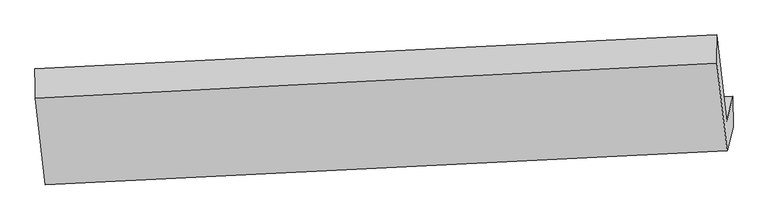
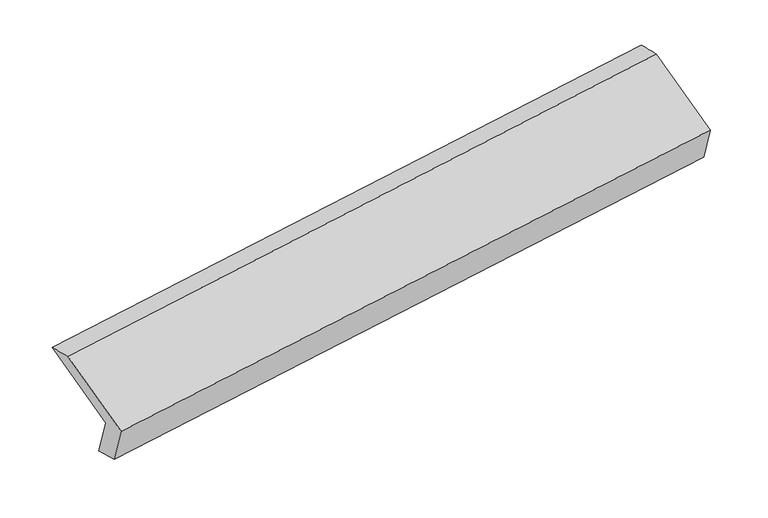
"""IFC4 building model written with IfcOpenShell, lengths in millimetres: proxy geometry."""

from ifc_helpers import new_model, si_unit, frame, origin, place, context, project, spatial, source, transform, mapped, element, save
from ifc_brep_helpers import plane_surface, spline_surface, advanced_brep


def generic_models_94e29294(model_context):
    return source(origin(), model_context, "Body", "AdvancedBrep", [
        advanced_brep(
        [(-5173.4288378, -1607.4908266, 1228.0718593), (-5216.6101248, -1776.0155529, 1576.9837714), (-490.4178351, -1543.1551482, 2274.3683917), (-446.1289888, -1370.3079213, 1916.5072172), (-5171.3263127, -1814.1309899, 1280.4667942), (-445.461197, -1584.3331915, 1981.0717309), (-5214.5075997, -1982.6557162, 1629.3787062), (-486.9173304, -1746.1251164, 2316.0441183), (-5284.1015261, -1383.0766771, 1910.3629166), (-557.1155972, -1141.3394472, 2599.468342), (-5286.2040512, -1176.4365138, 1857.9679817), (-560.0117615, -943.5761092, 2555.3526021)],
        [
            (0, 1),
            (1, 2),
            (2, 3),
            (3, 0),
            (4, 0),
            (3, 5),
            (5, 4),
            (6, 4),
            (5, 7),
            (7, 6),
            (8, 6),
            (7, 9),
            (9, 8),
            (10, 8),
            (9, 11),
            (11, 10),
            (1, 10),
            (11, 2),
        ],
        [
            plane_surface(frame((-5195.0194813, -1691.7531897, 1402.5278153), z_axis=(-0.10659278263902003, 0.9004386035144589, 0.4217206421201144), x_axis=(-0.1107559410512596, -0.4322500778456732, 0.8949262493212831))),
            spline_surface(1, 1, [[(-5171.3263127, -1814.1309899, 1280.4667942), (-445.461197, -1584.3331915, 1981.0717309)], [(-5173.4288378, -1607.4908266, 1228.0718593), (-446.1289888, -1370.3079213, 1916.5072172)]], [2, 2], [2, 2], [0.0, 1.0], [0.0, 1.0]),
            plane_surface(frame((-5192.9169562, -1898.393353, 1454.9227502), z_axis=(0.10631084014121989, -0.9004524580082337, -0.42176222701351324), x_axis=(0.11075594105125819, 0.4322500778456722, -0.8949262493212837))),
            plane_surface(frame((-5249.3045629, -1682.8661966, 1769.8708114), z_axis=(-0.10841361192181538, -0.4321379596124373, 0.8952671515319134), x_axis=(0.10452667710620862, -0.9005384214917844, -0.4220245551981778))),
            spline_surface(1, 1, [[(-5286.2040512, -1176.4365138, 1857.9679817), (-560.0117615, -943.5761092, 2555.3526021)], [(-5284.1015261, -1383.0766771, 1910.3629166), (-557.1155972, -1141.3394472, 2599.468342)]], [2, 2], [2, 2], [0.0, 1.0], [0.0, 1.0]),
            plane_surface(frame((-5251.407088, -1476.2260333, 1717.4758765), z_axis=(0.11075594105128131, 0.43225007784566627, -0.894926249321284), x_axis=(-0.10452667710620793, 0.9005384214917899, 0.4220245551981663))),
            plane_surface(frame((-497.6754517, -1388.139489, 2273.802067), z_axis=(0.9883356187525495, 0.046801940338963344, 0.1449216446412453), x_axis=(0.10452667710620862, -0.9005384214917844, -0.4220245551981778))),
            plane_surface(frame((-5224.3630754, -1623.3010461, 1580.5386716), z_axis=(-0.9883356187525445, -0.04680194033900196, -0.14492164464126617), x_axis=(0.11075594105126049, 0.432250077845674, -0.8949262493212826))),
        ],
        [
            (0, [[1, 2, 3, 4]]),
            (1, [[5, -4, 6, 7]]),
            (2, [[8, -7, 9, 10]]),
            (3, [[11, -10, 12, 13]]),
            (4, [[14, -13, 15, 16]]),
            (5, [[17, -16, 18, -2]]),
            (6, [[-12, -9, -6, -3, -18, -15]]),
            (7, [[-1, -5, -8, -11, -14, -17]]),
        ],
    ),
    ])


if __name__ == "__main__":
    model = new_model("IFC4")
    model_context = context("Model", 3, world=origin())
    ifc_project = project(units=[si_unit("LENGTHUNIT", "METRE", prefix="MILLI")], contexts=[model_context])
    site = spatial("IfcSite", under=ifc_project)
    building = spatial("IfcBuilding", under=site)
    placement = place(None, origin())
    generic_models_shape = generic_models_94e29294(model_context)
    element("IfcBuildingElementProxy", 1, Name="Generic Models", at=placement, inside=building, context=model_context, shape_type="MappedRepresentation", body=[
        mapped(generic_models_shape, transform((0.0, 0.0, 0.0), x_axis=(1.0, 0.0, 0.0), y_axis=(0.0, 1.0, 0.0), z_axis=(0.0, 0.0, 1.0))),
    ])
    save(model, "model.ifc")
